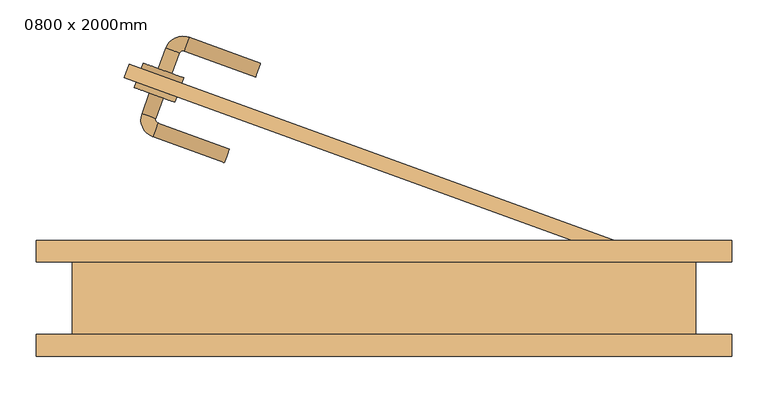
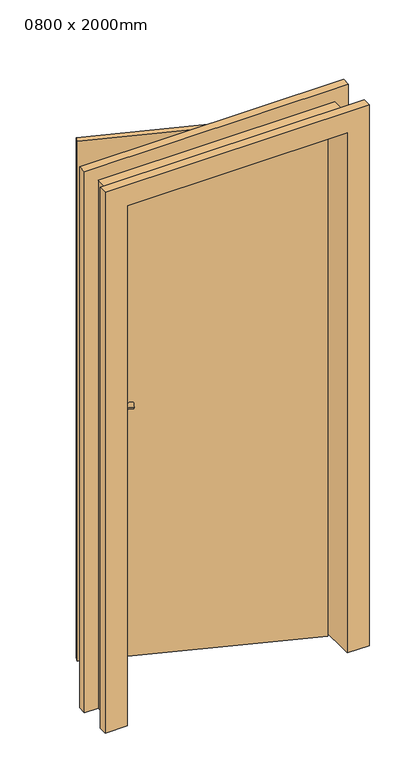
"""IFC4 building model written with IfcOpenShell, lengths in millimetres: door geometry, 0800 x 2000mm."""

import ifcopenshell
import ifcopenshell.guid

model = None  # the IFC model being written
_history = None  # IfcOwnerHistory: only IFC2X3 demands one
_inside = {}  # id of a spatial element -> (the spatial element, [elements in it])
_under = {}  # id of a project, library or spatial element -> (it, [spatial elements below it])
_declared = {}  # id of a project -> (the project, [libraries it declares])
_typed = {}  # id of a type object -> (the type object, [elements of that type])
_made_of = {}  # id of a material, layer set ... -> (it, [elements and type objects made of it])


def new_model(schema):
    """Start an empty IFC model of exactly this schema.

    Asked for "IFC4X3", IfcOpenShell would pick the latest addendum, in which some entities
    have other attributes; the version numbers below select the first issue.
    IFC2X3 requires an IfcOwnerHistory on every rooted entity: one is made here for all.
    """
    global model, _history
    if schema == "IFC4X3":
        model = ifcopenshell.file(schema_version=(4, 3, 0, 0))
    else:
        model = ifcopenshell.file(schema=schema)
    _inside.clear()
    _under.clear()
    _declared.clear()
    _typed.clear()
    _made_of.clear()
    _history = None
    if model.schema == "IFC2X3":
        org = make("IfcOrganization", Name="unknown")
        user = make(
            "IfcPersonAndOrganization",
            ThePerson=make("IfcPerson", FamilyName="unknown"),
            TheOrganization=org,
        )
        app = make(
            "IfcApplication",
            ApplicationDeveloper=org,
            Version="unknown",
            ApplicationFullName="unknown",
            ApplicationIdentifier="unknown",
        )
        _history = make(
            "IfcOwnerHistory",
            OwningUser=user,
            OwningApplication=app,
            ChangeAction="ADDED",
            CreationDate=0,
        )
    return model


def make(cls, **values):
    """One entity of the class cls with the attributes given. An attribute that is None is left unset."""
    return model.create_entity(
        cls, **{name: value for name, value in values.items() if value is not None}
    )


def rooted(cls, **values):
    """An entity with a GlobalId (a new one), such as an element, a storey or a relation."""
    return make(cls, GlobalId=ifcopenshell.guid.new(), OwnerHistory=_history, **values)


def si_unit(unit_type, name, prefix=None):
    """IfcSIUnit, for example si_unit("LENGTHUNIT", "METRE", prefix="MILLI")."""
    return make("IfcSIUnit", UnitType=unit_type, Prefix=prefix, Name=name)


def assignment(units):
    """IfcUnitAssignment: the units of a project."""
    return None if units is None else make("IfcUnitAssignment", Units=units)


def point(xyz):
    """IfcCartesianPoint."""
    return None if xyz is None else make("IfcCartesianPoint", Coordinates=xyz)


def direction(xyz):
    """IfcDirection."""
    return None if xyz is None else make("IfcDirection", DirectionRatios=xyz)


def frame(location, z_axis=None, x_axis=None):
    """IfcAxis2Placement3D, a coordinate frame: its origin and axes. An axis left out is left unset."""
    return make(
        "IfcAxis2Placement3D",
        Location=point(location),
        Axis=direction(z_axis),
        RefDirection=direction(x_axis),
    )


def frame_2d(location, x_axis=None):
    """IfcAxis2Placement2D, a coordinate frame in the plane: its origin and x axis."""
    return make(
        "IfcAxis2Placement2D", Location=point(location), RefDirection=direction(x_axis)
    )


def origin():
    """The frame at (0, 0, 0) with its axes left unset."""
    return frame((0.0, 0.0, 0.0))


def place(relative_to, where):
    """IfcLocalPlacement: puts the frame where relative to a parent placement (None: the world)."""
    return make(
        "IfcLocalPlacement", PlacementRelTo=relative_to, RelativePlacement=where
    )


def context(
    kind, dimensions, precision=None, world=None, true_north=None, identifier=None
):
    """IfcGeometricRepresentationContext, for example the 3D "Model" context."""
    return make(
        "IfcGeometricRepresentationContext",
        ContextIdentifier=identifier,
        ContextType=kind,
        CoordinateSpaceDimension=dimensions,
        Precision=precision,
        WorldCoordinateSystem=world,
        TrueNorth=true_north,
    )


def project(units=None, contexts=None):
    """IfcProject with its units and contexts."""
    return rooted(
        "IfcProject",
        Name="project",
        RepresentationContexts=contexts,
        UnitsInContext=assignment(units),
    )


def spatial(cls, under=None, at=None, **own):
    """A site, building, storey or space (cls), placed at a placement, below another one or the project."""
    s = rooted(cls, ObjectPlacement=at, **own)
    if under is not None:
        _under.setdefault(under.id(), (under, []))[1].append(s)
    return s


def circle_curve(where, radius):
    """IfcCircle in the frame where."""
    return make("IfcCircle", Position=where, Radius=radius)


def ellipse_curve(where, semi_axis1, semi_axis2):
    """IfcEllipse in the frame where."""
    return make(
        "IfcEllipse", Position=where, SemiAxis1=semi_axis1, SemiAxis2=semi_axis2
    )


def trimmed(basis, trim1, trim2, sense, master):
    """IfcTrimmedCurve: the piece of a basis curve between two trims."""
    return make(
        "IfcTrimmedCurve",
        BasisCurve=basis,
        Trim1=trim1,
        Trim2=trim2,
        SenseAgreement=sense,
        MasterRepresentation=master,
    )


def segment(curve, same_sense, transition):
    """IfcCompositeCurveSegment."""
    return make(
        "IfcCompositeCurveSegment",
        Transition=transition,
        SameSense=same_sense,
        ParentCurve=curve,
    )


def composite_curve(segments, self_intersect=None):
    """IfcCompositeCurve: segments joined end to end."""
    return make("IfcCompositeCurve", Segments=segments, SelfIntersect=self_intersect)


def outline(outer, holes=None, kind="AREA"):
    """IfcArbitraryClosedProfileDef: a profile drawn as a closed curve; with holes, ...WithVoids."""
    if holes is None:
        return make("IfcArbitraryClosedProfileDef", ProfileType=kind, OuterCurve=outer)
    return make(
        "IfcArbitraryProfileDefWithVoids",
        ProfileType=kind,
        OuterCurve=outer,
        InnerCurves=holes,
    )


def extrude(swept, where, along, depth):
    """IfcExtrudedAreaSolid: the profile swept, set in the frame where, extruded along a direction by depth."""
    return make(
        "IfcExtrudedAreaSolid",
        SweptArea=swept,
        Position=where,
        ExtrudedDirection=direction(along),
        Depth=depth,
    )


def faces_of(points, faces, orient=None, outer=None):
    """IfcFace entities. A face is a list of loops; a loop is a list of indices into points, from 0.

    orient and outer hold one flag for each loop. By default every Orientation is true, the
    first loop of a face is its IfcFaceOuterBound and the others are IfcFaceBound.
    """
    made = []
    for i, loops in enumerate(faces):
        bounds = []
        for j, loop in enumerate(loops):
            is_outer = j == 0 if outer is None else outer[i][j]
            bounds.append(
                make(
                    "IfcFaceOuterBound" if is_outer else "IfcFaceBound",
                    Bound=make("IfcPolyLoop", Polygon=[points[k] for k in loop]),
                    Orientation=True if orient is None else orient[i][j],
                )
            )
        made.append(make("IfcFace", Bounds=bounds))
    return made


def faceted_brep(points, faces, orient=None, outer=None, voids=None):
    """IfcFacetedBrep: a solid bounded by flat faces; with voids (closed shells), ...WithVoids."""
    shared = [point(p) for p in points]
    hull = make("IfcClosedShell", CfsFaces=faces_of(shared, faces, orient, outer))
    if voids is None:
        return make("IfcFacetedBrep", Outer=hull)
    return make(
        "IfcFacetedBrepWithVoids",
        Outer=hull,
        Voids=[
            make(cls, CfsFaces=faces_of(shared, fs, o, b)) for cls, fs, o, b in voids
        ],
    )


def shape(context_of_items, identifier, shape_type, items):
    """IfcShapeRepresentation: the items that make up one representation, for example the "Body"."""
    return make(
        "IfcShapeRepresentation",
        ContextOfItems=context_of_items,
        RepresentationIdentifier=identifier,
        RepresentationType=shape_type,
        Items=items,
    )


def source(mapping_origin, context_of_items, identifier, shape_type, items):
    """IfcRepresentationMap: a shape defined once, which mapped items show again and again."""
    return make(
        "IfcRepresentationMap",
        MappingOrigin=mapping_origin,
        MappedRepresentation=shape(context_of_items, identifier, shape_type, items),
    )


def transform(
    local_origin,
    x_axis=None,
    y_axis=None,
    z_axis=None,
    scale=None,
    scale2=None,
    scale3=None,
    uniform=True,
):
    """IfcCartesianTransformationOperator3D, or its non-uniform kind. x_axis, y_axis, z_axis: its Axis1, 2, 3."""
    if uniform:
        return make(
            "IfcCartesianTransformationOperator3D",
            Axis1=direction(x_axis),
            Axis2=direction(y_axis),
            LocalOrigin=point(local_origin),
            Scale=scale,
            Axis3=direction(z_axis),
        )
    return make(
        "IfcCartesianTransformationOperator3DnonUniform",
        Axis1=direction(x_axis),
        Axis2=direction(y_axis),
        LocalOrigin=point(local_origin),
        Scale=scale,
        Axis3=direction(z_axis),
        Scale2=scale2,
        Scale3=scale3,
    )


def mapped(mapping_source, mapping_target):
    """IfcMappedItem: shows the shape of a source again, moved by a transform."""
    return make(
        "IfcMappedItem", MappingSource=mapping_source, MappingTarget=mapping_target
    )


def made_of(thing, what):
    """Note that an element or type object is made of a material, layer set ...; save() writes the relation."""
    if what is not None:
        _made_of.setdefault(what.id(), (what, []))[1].append(thing)
    return thing


def element(
    cls,
    number,
    at=None,
    inside=None,
    cuts=None,
    type_object=None,
    material=None,
    context=None,
    identifier="Body",
    shape_type=None,
    held_by="IfcProductDefinitionShape",
    body=None,
    shapes=None,
    **own,
):
    """One element of the class cls, such as IfcWall. Its Tag is "e" and its number.

    at: its placement. inside: the storey or other place that contains it. cuts: it is an
    opening in that element (IfcRelVoidsElement). A single representation is given by context,
    identifier, shape_type and body (its items); several are given by shapes. held_by: the class
    of the entity that holds the representations. save() writes the other relations.
    """
    e = rooted(cls, Tag="e%d" % number, ObjectPlacement=at, **own)
    if body is not None:
        shapes = [shape(context, identifier, shape_type, body)]
    if shapes is not None:
        e.Representation = make(held_by, Representations=shapes)
    if inside is not None:
        _inside.setdefault(inside.id(), (inside, []))[1].append(e)
    if cuts is not None:
        rooted(
            "IfcRelVoidsElement", RelatingBuildingElement=cuts, RelatedOpeningElement=e
        )
    if type_object is not None:
        _typed.setdefault(type_object.id(), (type_object, []))[1].append(e)
    return made_of(e, material)


def aggregate(whole, parts):
    """IfcRelAggregates: a whole, such as a stair, and the parts it consists of."""
    return rooted("IfcRelAggregates", RelatingObject=whole, RelatedObjects=parts)


def save(model, path):
    """Write the relations noted so far, then the file.

    IfcRelAggregates (storeys below a building ...), IfcRelContainedInSpatialStructure (elements
    in a storey), IfcRelDefinesByType, IfcRelAssociatesMaterial and IfcRelDeclares: one each for
    every whole, place, type object, material and project.
    """
    for whole, parts in _under.values():
        aggregate(whole, parts)
    for where, things in _inside.values():
        rooted(
            "IfcRelContainedInSpatialStructure",
            RelatedElements=things,
            RelatingStructure=where,
        )
    for kind, things in _typed.values():
        rooted("IfcRelDefinesByType", RelatedObjects=things, RelatingType=kind)
    for what, things in _made_of.values():
        rooted("IfcRelAssociatesMaterial", RelatedObjects=things, RelatingMaterial=what)
    for by, libraries in _declared.values():
        rooted("IfcRelDeclares", RelatingContext=by, RelatedDefinitions=libraries)
    model.write(path)


def plane_surface(at):
    """IfcPlane: the flat surface through the origin of the frame at, square to its z axis."""
    return make("IfcPlane", Position=at)


def cylinder_surface(at, radius):
    """IfcCylindricalSurface: all points at the distance radius from the z axis of the frame at."""
    return make("IfcCylindricalSurface", Position=at, Radius=radius)


def revolved_surface(curve, axis_point, axis_direction):
    """IfcSurfaceOfRevolution: the curve turned about the line through axis_point along axis_direction."""
    return make(
        "IfcSurfaceOfRevolution",
        SweptCurve=make("IfcArbitraryOpenProfileDef", ProfileType="CURVE", Curve=curve),
        AxisPosition=make("IfcAxis1Placement", Location=point(axis_point), Axis=direction(axis_direction)),
    )


def advanced_brep(points, edges, surfaces, faces):
    """IfcAdvancedBrep: a solid bounded by faces that lie on surfaces and meet in shared edges.

    An edge is (start, end): straight between two places in points (the first is 0);
    or (start, end, curve); or (start, end, curve, False) where it runs against its curve.
    A face is (place in surfaces, loops), or (place, loops, False) where it looks against
    its surface's normal. A loop lists edges by number (the first is 1), with a minus sign
    where the edge is run from its end to its start. The first loop is the outer one.
    """
    corners = [point(p) for p in points]
    vertices = [make("IfcVertexPoint", VertexGeometry=c) for c in corners]
    made = []
    for start, end, *more in edges:
        made.append(
            make(
                "IfcEdgeCurve",
                EdgeStart=vertices[start],
                EdgeEnd=vertices[end],
                EdgeGeometry=more[0] if more else make("IfcPolyline", Points=[corners[start], corners[end]]),
                SameSense=more[1] if len(more) > 1 else True,
            )
        )
    hull = []
    for where, loops, *sense in faces:
        bounds = []
        for j, loop in enumerate(loops):
            ring = [make("IfcOrientedEdge", EdgeElement=made[abs(k) - 1], Orientation=k > 0) for k in loop]
            bounds.append(
                make(
                    "IfcFaceOuterBound" if j == 0 else "IfcFaceBound",
                    Bound=make("IfcEdgeLoop", EdgeList=ring),
                    Orientation=True,
                )
            )
        hull.append(make("IfcAdvancedFace", Bounds=bounds, FaceSurface=surfaces[where], SameSense=sense[0] if sense else True))
    return make("IfcAdvancedBrep", Outer=make("IfcClosedShell", CfsFaces=hull))


def door_0800_x_2000mm_40c9096b(model_context):
    return source(origin(), model_context, "Body", "SolidModel", [
        advanced_brep(
        [(-323.7429558, 283.6239155, 1000.0), (-304.9491034, 276.7835127, 1000.0), (-315.2097077, 248.5927341, 1000.0), (-334.0035601, 255.4331369, 1000.0), (-312.2213453, 242.1841702, 1000.0), (-319.0617482, 223.3903178, 1000.0), (-220.394023, 187.4782028, 1000.0), (-213.5536201, 206.2720552, 1000.0)],
        [
            (0, 1, circle_curve(frame((-314.3460296, 280.2037141, 1000.0), z_axis=(0.3420201433256621, 0.9396926207859108, 0.0), x_axis=(0.9396926207859095, -0.34202014332566166, 0.0)), 10.0)),
            (1, 0, circle_curve(frame((-314.3460296, 280.2037141, 1000.0), z_axis=(0.3420201433256621, 0.9396926207859108, 0.0), x_axis=(0.9396926207859095, -0.34202014332566166, 0.0)), 10.0)),
            (1, 2),
            (2, 3, circle_curve(frame((-324.6066339, 252.0129355, 1000.0), z_axis=(0.3420201433256621, 0.9396926207859108, 0.0), x_axis=(0.9396926207859095, -0.34202014332566166, 0.0)), 10.0)),
            (3, 0),
            (3, 2, circle_curve(frame((-324.6066339, 252.0129355, 1000.0), z_axis=(0.3420201433256621, 0.9396926207859108, 0.0), x_axis=(0.9396926207859095, -0.34202014332566166, 0.0)), 10.0)),
            (4, 5, circle_curve(frame((-315.6415467, 232.787244, 1000.0), z_axis=(-0.9396926207859084, 0.3420201433256649, 0.0), x_axis=(0.3420201433256649, 0.9396926207859084, 0.0)), 10.0)),
            (5, 3, circle_curve(frame((-310.5112446, 246.8826333, 1000.0), z_axis=(0.0, 0.0, -1.0), x_axis=(-0.9396926207859095, 0.3420201433256617, 0.0)), 25.0)),
            (2, 4, circle_curve(frame((-310.5112446, 246.8826333, 1000.0), z_axis=(0.0, 0.0, 1.0), x_axis=(-0.9396926207859095, 0.3420201433256617, 0.0)), 5.0)),
            (5, 4, circle_curve(frame((-315.6415467, 232.787244, 1000.0), z_axis=(-0.9396926207859086, 0.34202014332566427, 0.0), x_axis=(0.34202014332566427, 0.9396926207859086, 0.0)), 10.0)),
            (6, 7, circle_curve(frame((-216.9738216, 196.875129, 1000.0), z_axis=(0.9396926207859108, -0.3420201433256621, 0.0), x_axis=(0.34202014332566166, 0.9396926207859095, 0.0)), 10.0)),
            (7, 6, circle_curve(frame((-216.9738216, 196.875129, 1000.0), z_axis=(0.9396926207859108, -0.3420201433256621, 0.0), x_axis=(0.34202014332566166, 0.9396926207859095, 0.0)), 10.0)),
            (4, 7),
            (6, 5),
        ],
        [
            plane_surface(frame((-314.3460296, 280.2037141, 1000.0), z_axis=(0.3420201433256621, 0.9396926207859108, 0.0), x_axis=(0.0, 0.0, 1.0))),
            cylinder_surface(frame((-314.3460296, 280.2037141, 1000.0), z_axis=(0.34202014332566166, 0.9396926207859095, 0.0), x_axis=(0.9396926207859095, -0.34202014332566166, 0.0)), 10.0),
            revolved_surface(trimmed(ellipse_curve(frame((-324.6066339, 252.0129355, 1000.0), z_axis=(-0.3420201433256617, -0.9396926207859095, 0.0), x_axis=(0.9396926207859095, -0.3420201433256617, 0.0)), 10.0, 10.0), [point((-334.0035601, 255.4331369, 1000.0))], [point((-315.2097077, 248.5927341, 1000.0))], True, "CARTESIAN"), (-310.5112446, 246.8826333, 1000.0), (0.0, 0.0, -1.0)),
            revolved_surface(trimmed(ellipse_curve(frame((-324.6066339, 252.0129355, 1000.0), z_axis=(-0.3420201433256617, -0.9396926207859095, 0.0), x_axis=(0.9396926207859095, -0.3420201433256617, 0.0)), 10.0, 10.0), [point((-315.2097077, 248.5927341, 1000.0))], [point((-334.0035601, 255.4331369, 1000.0))], True, "CARTESIAN"), (-310.5112446, 246.8826333, 1000.0), (0.0, 0.0, -1.0)),
            plane_surface(frame((-216.9738216, 196.875129, 1000.0), z_axis=(0.9396926207859108, -0.3420201433256621, 0.0), x_axis=(0.0, 0.0, 1.0))),
            cylinder_surface(frame((-315.6415467, 232.787244, 1000.0), z_axis=(-0.9396926207859095, 0.34202014332566166, 0.0), x_axis=(0.34202014332566166, 0.9396926207859095, 0.0)), 10.0),
        ],
        [
            (0, [[1, 2]]),
            (1, [[3, 4, 5, -2]]),
            (1, [[-5, 6, -3, -1]]),
            (2, [[7, 8, -4, 9]]),
            (3, [[10, -9, -6, -8]]),
            (4, [[11, 12]]),
            (5, [[13, -11, 14, -7]]),
            (5, [[-14, -12, -13, -10]]),
        ],
    ),
        extrude(outline(composite_curve([segment(trimmed(circle_curve(frame_2d((0.0, 30.0000001)), 30.0), [point((0.0, 60.0))], [point((0.0, 0.0))], False, "CARTESIAN"), True, "CONTINUOUS"), segment(trimmed(circle_curve(frame_2d((0.0, 30.0000001)), 30.0), [point((0.0, 0.0))], [point((0.0, 60.0))], False, "CARTESIAN"), True, "CONTINUOUS")], self_intersect=False)), frame((-288.5044825, 270.7981602, 1000.0), z_axis=(0.3420201433256621, 0.9396926207859108, 0.0), x_axis=(0.0, 0.0, -1.0)), (0.0, 0.0, 1.0), 8.0),
        advanced_brep(
        [(-311.4302307, 317.4528499, 1000.0), (-292.6363782, 310.612447, 1000.0), (-301.1696264, 345.6436285, 1000.0), (-282.3757739, 338.8032257, 1000.0), (-275.9672101, 341.791588, 1000.0), (-269.1268072, 360.5854405, 1000.0), (-170.4590821, 324.6733254, 1000.0), (-177.2994849, 305.879473, 1000.0)],
        [
            (0, 1, circle_curve(frame((-302.0333044, 314.0326485, 1000.0), z_axis=(-0.342020143325662, -0.9396926207859111, 0.0), x_axis=(0.9396926207859102, -0.3420201433256617, 0.0)), 10.0)),
            (1, 0, circle_curve(frame((-302.0333044, 314.0326485, 1000.0), z_axis=(-0.342020143325662, -0.9396926207859111, 0.0), x_axis=(0.9396926207859102, -0.3420201433256617, 0.0)), 10.0)),
            (0, 2),
            (2, 3, circle_curve(frame((-291.7727001, 342.2234271, 1000.0), z_axis=(-0.342020143325662, -0.9396926207859111, 0.0), x_axis=(0.9396926207859102, -0.3420201433256617, 0.0)), 10.0)),
            (3, 1),
            (3, 2, circle_curve(frame((-291.7727001, 342.2234271, 1000.0), z_axis=(-0.342020143325662, -0.9396926207859111, 0.0), x_axis=(0.9396926207859102, -0.3420201433256617, 0.0)), 10.0)),
            (4, 3, circle_curve(frame((-277.6773108, 337.0931249, 1000.0), z_axis=(0.0, 0.0, 1.0), x_axis=(-0.9396926207859102, 0.34202014332566166, 0.0)), 5.0)),
            (2, 5, circle_curve(frame((-277.6773108, 337.0931249, 1000.0), z_axis=(0.0, 0.0, -1.0), x_axis=(-0.9396926207859102, 0.34202014332566166, 0.0)), 25.0)),
            (5, 4, circle_curve(frame((-272.5470087, 351.1885142, 1000.0), z_axis=(-0.9396926207859111, 0.34202014332565933, 0.0), x_axis=(-0.34202014332565933, -0.9396926207859111, 0.0)), 10.0)),
            (4, 5, circle_curve(frame((-272.5470087, 351.1885142, 1000.0), z_axis=(-0.9396926207859123, 0.3420201433256558, 0.0), x_axis=(-0.3420201433256558, -0.9396926207859123, 0.0)), 10.0)),
            (6, 7, circle_curve(frame((-173.8792835, 315.2763992, 1000.0), z_axis=(0.9396926207859111, -0.342020143325662, 0.0), x_axis=(-0.3420201433256617, -0.9396926207859102, 0.0)), 10.0)),
            (7, 6, circle_curve(frame((-173.8792835, 315.2763992, 1000.0), z_axis=(0.9396926207859111, -0.342020143325662, 0.0), x_axis=(-0.3420201433256617, -0.9396926207859102, 0.0)), 10.0)),
            (5, 6),
            (7, 4),
        ],
        [
            plane_surface(frame((-302.0333044, 314.0326485, 1000.0), z_axis=(-0.342020143325662, -0.939692620785911, 0.0), x_axis=(0.0, 0.0, 1.0))),
            cylinder_surface(frame((-302.0333044, 314.0326485, 1000.0), z_axis=(-0.3420201433256617, -0.9396926207859102, 0.0), x_axis=(0.9396926207859102, -0.3420201433256617, 0.0)), 10.0),
            revolved_surface(trimmed(ellipse_curve(frame((-291.7727001, 342.2234271, 1000.0), z_axis=(-0.34202014332566166, -0.9396926207859102, 0.0), x_axis=(0.9396926207859102, -0.34202014332566166, 0.0)), 10.0, 10.0), [point((-301.1696264, 345.6436285, 1000.0))], [point((-282.3757739, 338.8032257, 1000.0))], True, "CARTESIAN"), (-277.6773108, 337.0931249, 1000.0), (0.0, 0.0, -1.0)),
            revolved_surface(trimmed(ellipse_curve(frame((-291.7727001, 342.2234271, 1000.0), z_axis=(-0.34202014332566166, -0.9396926207859102, 0.0), x_axis=(0.9396926207859102, -0.34202014332566166, 0.0)), 10.0, 10.0), [point((-282.3757739, 338.8032257, 1000.0))], [point((-301.1696264, 345.6436285, 1000.0))], True, "CARTESIAN"), (-277.6773108, 337.0931249, 1000.0), (0.0, 0.0, -1.0)),
            plane_surface(frame((-173.8792835, 315.2763992, 1000.0), z_axis=(0.939692620785911, -0.342020143325662, 0.0), x_axis=(0.0, 0.0, 1.0))),
            cylinder_surface(frame((-272.5470087, 351.1885142, 1000.0), z_axis=(-0.9396926207859102, 0.3420201433256617, 0.0), x_axis=(-0.3420201433256617, -0.9396926207859102, 0.0)), 10.0),
        ],
        [
            (0, [[1, 2]]),
            (1, [[-1, 3, 4, 5]]),
            (1, [[-2, -5, 6, -3]]),
            (2, [[7, -4, 8, 9]]),
            (3, [[-8, -6, -7, 10]]),
            (4, [[11, 12]]),
            (5, [[-9, 13, -12, 14]]),
            (5, [[-10, -14, -11, -13]]),
        ],
    ),
        extrude(outline(composite_curve([segment(trimmed(circle_curve(frame_2d((0.0, -30.0)), 30.0), [point((0.0, -60.0))], [point((0.0, 0.0))], False, "CARTESIAN"), True, "CONTINUOUS"), segment(trimmed(circle_curve(frame_2d((0.0, -30.0)), 30.0), [point((0.0, 0.0))], [point((0.0, -60.0))], False, "CARTESIAN"), True, "CONTINUOUS")], self_intersect=False)), frame((-278.9279185, 297.1095536, 1000.0), z_axis=(0.342020143325662, 0.939692620785911, 0.0), x_axis=(0.0, 0.0, 1.0)), (0.0, 0.0, 1.0), 8.0),
        faceted_brep([(-430.0, 50.0, 0.0), (-480.0, 50.0, 0.0), (-480.0, 80.0, 0.0), (-400.0, 80.0, 0.0), (-400.0, -80.0, 0.0), (-480.0, -80.0, 0.0), (-480.0, -50.0, 0.0), (-430.0, -50.0, 0.0), (-430.0, 50.0, 2030.0), (430.0, 50.0, 2030.0), (430.0, 50.0, 0.0), (480.0, 50.0, 0.0), (480.0, 50.0, 2080.0), (-480.0, 50.0, 2080.0), (-480.0, 80.0, 2080.0), (480.0, 80.0, 2080.0), (480.0, 80.0, 0.0), (400.0, 80.0, 0.0), (400.0, 80.0, 2000.0), (-400.0, 80.0, 2000.0), (-400.0, -80.0, 2000.0), (400.0, -80.0, 2000.0), (400.0, -80.0, 0.0), (480.0, -80.0, 0.0), (480.0, -80.0, 2080.0), (-480.0, -80.0, 2080.0), (-480.0, -50.0, 2080.0), (480.0, -50.0, 2080.0), (480.0, -50.0, 0.0), (430.0, -50.0, 0.0), (430.0, -50.0, 2030.0), (-430.0, -50.0, 2030.0)], [[[0, 1, 2, 3, 4, 5, 6, 7]], [[1, 0, 8, 9, 10, 11, 12, 13]], [[2, 1, 13, 14]], [[3, 2, 14, 15, 16, 17, 18, 19]], [[4, 3, 19, 20]], [[5, 4, 20, 21, 22, 23, 24, 25]], [[6, 5, 25, 26]], [[7, 6, 26, 27, 28, 29, 30, 31]], [[0, 7, 31, 8]], [[9, 30, 29, 10]], [[10, 29, 28, 23, 22, 17, 16, 11]], [[15, 12, 11, 16]], [[21, 18, 17, 22]], [[27, 24, 23, 28]], [[14, 13, 12, 15]], [[20, 19, 18, 21]], [[26, 25, 24, 27]], [[8, 31, 30, 9]]]),
        faceted_brep([(-351.7540966, 323.6161147, 0.0), (400.0, 50.0, 0.0), (393.1595971, 31.2061476, 0.0), (-358.5944995, 304.8222622, 0.0), (-351.7540966, 323.6161147, 2000.0), (400.0, 50.0, 2000.0), (393.1595971, 31.2061476, 2000.0), (341.523912, 50.0, 2000.0), (-358.5944995, 304.8222622, 2000.0)], [[[0, 1, 2, 3]], [[4, 5, 1, 0]], [[5, 6, 2, 1]], [[3, 2, 6, 7, 8]], [[8, 4, 0, 3]], [[4, 8, 7, 6, 5]]]),
    ])


if __name__ == "__main__":
    model = new_model("IFC4")
    model_context = context("Model", 3, world=origin())
    ifc_project = project(units=[si_unit("LENGTHUNIT", "METRE", prefix="MILLI")], contexts=[model_context])
    site = spatial("IfcSite", under=ifc_project)
    building = spatial("IfcBuilding", under=site)
    placement = place(None, origin())
    door_0800_x_2000mm_shape = door_0800_x_2000mm_40c9096b(model_context)
    element("IfcDoor", 1, ObjectType="0800 x 2000mm", at=placement, inside=building, context=model_context, shape_type="MappedRepresentation", body=[
        mapped(door_0800_x_2000mm_shape, transform((0.0, 0.0, 0.0), x_axis=(1.0, 0.0, 0.0), y_axis=(0.0, 1.0, 0.0), z_axis=(0.0, 0.0, 1.0))),
    ])
    save(model, "model.ifc")
